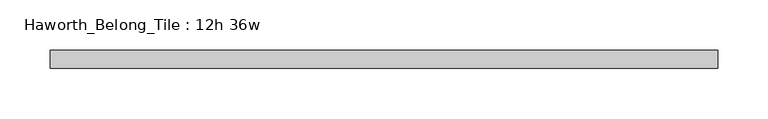
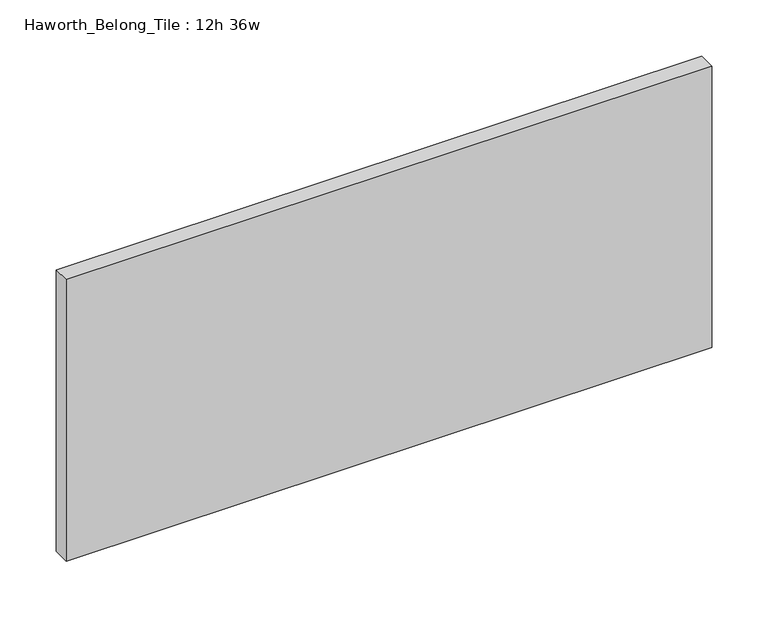
"""IFC4 building model written with IfcOpenShell, lengths in millimetres: furniture geometry, Haworth_Belong_Tile : 12h 36w."""

from ifc_helpers import new_model, si_unit, frame, origin, place, context, project, spatial, polyline, outline, extrude, source, transform, mapped, element, save


def haworth_belong_tile_12h_36w_a50bc00f(model_context):
    return source(origin(), model_context, "Body", "SweptSolid", [
        extrude(outline(polyline([(330.2, 8.73125), (330.2, -8.73125), (-330.2, -8.73125), (-330.2, 8.73125), (330.2, 8.73125)])), frame((0.0, 0.0, 812.8), z_axis=(0.0, 0.0, 1.0), x_axis=(1.0, 0.0, 0.0)), (0.0, 0.0, 1.0), 304.8),
    ])


if __name__ == "__main__":
    model = new_model("IFC4")
    model_context = context("Model", 3, world=origin())
    ifc_project = project(units=[si_unit("LENGTHUNIT", "METRE", prefix="MILLI")], contexts=[model_context])
    site = spatial("IfcSite", under=ifc_project)
    building = spatial("IfcBuilding", under=site)
    placement = place(None, origin())
    haworth_belong_tile_12h_36w_shape = haworth_belong_tile_12h_36w_a50bc00f(model_context)
    element("IfcFurniture", 1, ObjectType="Haworth_Belong_Tile : 12h 36w", at=placement, inside=building, context=model_context, shape_type="MappedRepresentation", body=[
        mapped(haworth_belong_tile_12h_36w_shape, transform((0.0, 0.0, 0.0), x_axis=(1.0, 0.0, 0.0), y_axis=(0.0, 1.0, 0.0), z_axis=(0.0, 0.0, 1.0))),
    ])
    save(model, "model.ifc")
